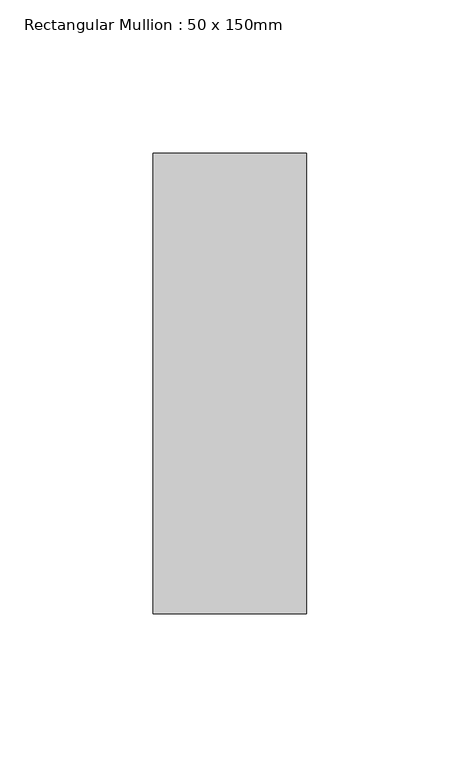
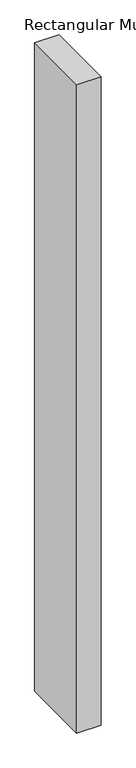
"""IFC4 building model written with IfcOpenShell, lengths in millimetres: member geometry, Rectangular Mullion : 50 x 150mm."""

import ifcopenshell
import ifcopenshell.guid

model = None  # the IFC model being written
_history = None  # IfcOwnerHistory: only IFC2X3 demands one
_inside = {}  # id of a spatial element -> (the spatial element, [elements in it])
_under = {}  # id of a project, library or spatial element -> (it, [spatial elements below it])
_declared = {}  # id of a project -> (the project, [libraries it declares])
_typed = {}  # id of a type object -> (the type object, [elements of that type])
_made_of = {}  # id of a material, layer set ... -> (it, [elements and type objects made of it])


def new_model(schema):
    """Start an empty IFC model of exactly this schema.

    Asked for "IFC4X3", IfcOpenShell would pick the latest addendum, in which some entities
    have other attributes; the version numbers below select the first issue.
    IFC2X3 requires an IfcOwnerHistory on every rooted entity: one is made here for all.
    """
    global model, _history
    if schema == "IFC4X3":
        model = ifcopenshell.file(schema_version=(4, 3, 0, 0))
    else:
        model = ifcopenshell.file(schema=schema)
    _inside.clear()
    _under.clear()
    _declared.clear()
    _typed.clear()
    _made_of.clear()
    _history = None
    if model.schema == "IFC2X3":
        org = make("IfcOrganization", Name="unknown")
        user = make(
            "IfcPersonAndOrganization",
            ThePerson=make("IfcPerson", FamilyName="unknown"),
            TheOrganization=org,
        )
        app = make(
            "IfcApplication",
            ApplicationDeveloper=org,
            Version="unknown",
            ApplicationFullName="unknown",
            ApplicationIdentifier="unknown",
        )
        _history = make(
            "IfcOwnerHistory",
            OwningUser=user,
            OwningApplication=app,
            ChangeAction="ADDED",
            CreationDate=0,
        )
    return model


def make(cls, **values):
    """One entity of the class cls with the attributes given. An attribute that is None is left unset."""
    return model.create_entity(
        cls, **{name: value for name, value in values.items() if value is not None}
    )


def rooted(cls, **values):
    """An entity with a GlobalId (a new one), such as an element, a storey or a relation."""
    return make(cls, GlobalId=ifcopenshell.guid.new(), OwnerHistory=_history, **values)


def si_unit(unit_type, name, prefix=None):
    """IfcSIUnit, for example si_unit("LENGTHUNIT", "METRE", prefix="MILLI")."""
    return make("IfcSIUnit", UnitType=unit_type, Prefix=prefix, Name=name)


def assignment(units):
    """IfcUnitAssignment: the units of a project."""
    return None if units is None else make("IfcUnitAssignment", Units=units)


def point(xyz):
    """IfcCartesianPoint."""
    return None if xyz is None else make("IfcCartesianPoint", Coordinates=xyz)


def direction(xyz):
    """IfcDirection."""
    return None if xyz is None else make("IfcDirection", DirectionRatios=xyz)


def frame(location, z_axis=None, x_axis=None):
    """IfcAxis2Placement3D, a coordinate frame: its origin and axes. An axis left out is left unset."""
    return make(
        "IfcAxis2Placement3D",
        Location=point(location),
        Axis=direction(z_axis),
        RefDirection=direction(x_axis),
    )


def origin():
    """The frame at (0, 0, 0) with its axes left unset."""
    return frame((0.0, 0.0, 0.0))


def place(relative_to, where):
    """IfcLocalPlacement: puts the frame where relative to a parent placement (None: the world)."""
    return make(
        "IfcLocalPlacement", PlacementRelTo=relative_to, RelativePlacement=where
    )


def context(
    kind, dimensions, precision=None, world=None, true_north=None, identifier=None
):
    """IfcGeometricRepresentationContext, for example the 3D "Model" context."""
    return make(
        "IfcGeometricRepresentationContext",
        ContextIdentifier=identifier,
        ContextType=kind,
        CoordinateSpaceDimension=dimensions,
        Precision=precision,
        WorldCoordinateSystem=world,
        TrueNorth=true_north,
    )


def project(units=None, contexts=None):
    """IfcProject with its units and contexts."""
    return rooted(
        "IfcProject",
        Name="project",
        RepresentationContexts=contexts,
        UnitsInContext=assignment(units),
    )


def spatial(cls, under=None, at=None, **own):
    """A site, building, storey or space (cls), placed at a placement, below another one or the project."""
    s = rooted(cls, ObjectPlacement=at, **own)
    if under is not None:
        _under.setdefault(under.id(), (under, []))[1].append(s)
    return s


def polyline(points):
    """IfcPolyline through the points."""
    return make("IfcPolyline", Points=[point(p) for p in points])


def outline(outer, holes=None, kind="AREA"):
    """IfcArbitraryClosedProfileDef: a profile drawn as a closed curve; with holes, ...WithVoids."""
    if holes is None:
        return make("IfcArbitraryClosedProfileDef", ProfileType=kind, OuterCurve=outer)
    return make(
        "IfcArbitraryProfileDefWithVoids",
        ProfileType=kind,
        OuterCurve=outer,
        InnerCurves=holes,
    )


def extrude(swept, where, along, depth):
    """IfcExtrudedAreaSolid: the profile swept, set in the frame where, extruded along a direction by depth."""
    return make(
        "IfcExtrudedAreaSolid",
        SweptArea=swept,
        Position=where,
        ExtrudedDirection=direction(along),
        Depth=depth,
    )


def shape(context_of_items, identifier, shape_type, items):
    """IfcShapeRepresentation: the items that make up one representation, for example the "Body"."""
    return make(
        "IfcShapeRepresentation",
        ContextOfItems=context_of_items,
        RepresentationIdentifier=identifier,
        RepresentationType=shape_type,
        Items=items,
    )


def source(mapping_origin, context_of_items, identifier, shape_type, items):
    """IfcRepresentationMap: a shape defined once, which mapped items show again and again."""
    return make(
        "IfcRepresentationMap",
        MappingOrigin=mapping_origin,
        MappedRepresentation=shape(context_of_items, identifier, shape_type, items),
    )


def transform(
    local_origin,
    x_axis=None,
    y_axis=None,
    z_axis=None,
    scale=None,
    scale2=None,
    scale3=None,
    uniform=True,
):
    """IfcCartesianTransformationOperator3D, or its non-uniform kind. x_axis, y_axis, z_axis: its Axis1, 2, 3."""
    if uniform:
        return make(
            "IfcCartesianTransformationOperator3D",
            Axis1=direction(x_axis),
            Axis2=direction(y_axis),
            LocalOrigin=point(local_origin),
            Scale=scale,
            Axis3=direction(z_axis),
        )
    return make(
        "IfcCartesianTransformationOperator3DnonUniform",
        Axis1=direction(x_axis),
        Axis2=direction(y_axis),
        LocalOrigin=point(local_origin),
        Scale=scale,
        Axis3=direction(z_axis),
        Scale2=scale2,
        Scale3=scale3,
    )


def mapped(mapping_source, mapping_target):
    """IfcMappedItem: shows the shape of a source again, moved by a transform."""
    return make(
        "IfcMappedItem", MappingSource=mapping_source, MappingTarget=mapping_target
    )


def made_of(thing, what):
    """Note that an element or type object is made of a material, layer set ...; save() writes the relation."""
    if what is not None:
        _made_of.setdefault(what.id(), (what, []))[1].append(thing)
    return thing


def element(
    cls,
    number,
    at=None,
    inside=None,
    cuts=None,
    type_object=None,
    material=None,
    context=None,
    identifier="Body",
    shape_type=None,
    held_by="IfcProductDefinitionShape",
    body=None,
    shapes=None,
    **own,
):
    """One element of the class cls, such as IfcWall. Its Tag is "e" and its number.

    at: its placement. inside: the storey or other place that contains it. cuts: it is an
    opening in that element (IfcRelVoidsElement). A single representation is given by context,
    identifier, shape_type and body (its items); several are given by shapes. held_by: the class
    of the entity that holds the representations. save() writes the other relations.
    """
    e = rooted(cls, Tag="e%d" % number, ObjectPlacement=at, **own)
    if body is not None:
        shapes = [shape(context, identifier, shape_type, body)]
    if shapes is not None:
        e.Representation = make(held_by, Representations=shapes)
    if inside is not None:
        _inside.setdefault(inside.id(), (inside, []))[1].append(e)
    if cuts is not None:
        rooted(
            "IfcRelVoidsElement", RelatingBuildingElement=cuts, RelatedOpeningElement=e
        )
    if type_object is not None:
        _typed.setdefault(type_object.id(), (type_object, []))[1].append(e)
    return made_of(e, material)


def aggregate(whole, parts):
    """IfcRelAggregates: a whole, such as a stair, and the parts it consists of."""
    return rooted("IfcRelAggregates", RelatingObject=whole, RelatedObjects=parts)


def save(model, path):
    """Write the relations noted so far, then the file.

    IfcRelAggregates (storeys below a building ...), IfcRelContainedInSpatialStructure (elements
    in a storey), IfcRelDefinesByType, IfcRelAssociatesMaterial and IfcRelDeclares: one each for
    every whole, place, type object, material and project.
    """
    for whole, parts in _under.values():
        aggregate(whole, parts)
    for where, things in _inside.values():
        rooted(
            "IfcRelContainedInSpatialStructure",
            RelatedElements=things,
            RelatingStructure=where,
        )
    for kind, things in _typed.values():
        rooted("IfcRelDefinesByType", RelatedObjects=things, RelatingType=kind)
    for what, things in _made_of.values():
        rooted("IfcRelAssociatesMaterial", RelatedObjects=things, RelatingMaterial=what)
    for by, libraries in _declared.values():
        rooted("IfcRelDeclares", RelatingContext=by, RelatedDefinitions=libraries)
    model.write(path)


def rectangular_mullion_50_x_150mm_fa930ccb(model_context):
    return source(origin(), model_context, "Body", "SweptSolid", [
        extrude(outline(polyline([(25.0, 75.0), (25.0, -75.0), (-25.0, -75.0), (-25.0, 75.0), (25.0, 75.0)])), frame((0.0, 0.0, -1414.6599226), z_axis=(0.0, 0.0, 1.0), x_axis=(1.0, 0.0, 0.0)), (0.0, 0.0, 1.0), 1414.6599226),
    ])


if __name__ == "__main__":
    model = new_model("IFC4")
    model_context = context("Model", 3, world=origin())
    ifc_project = project(units=[si_unit("LENGTHUNIT", "METRE", prefix="MILLI")], contexts=[model_context])
    site = spatial("IfcSite", under=ifc_project)
    building = spatial("IfcBuilding", under=site)
    placement = place(None, origin())
    rectangular_mullion_50_x_150mm_shape = rectangular_mullion_50_x_150mm_fa930ccb(model_context)
    element("IfcMember", 1, ObjectType="Rectangular Mullion : 50 x 150mm", at=placement, inside=building, context=model_context, shape_type="MappedRepresentation", body=[
        mapped(rectangular_mullion_50_x_150mm_shape, transform((0.0, 0.0, 0.0), x_axis=(1.0, 0.0, 0.0), y_axis=(0.0, 1.0, 0.0), z_axis=(0.0, 0.0, 1.0))),
    ])
    save(model, "model.ifc")
